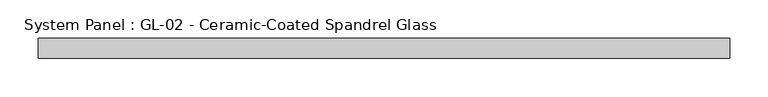
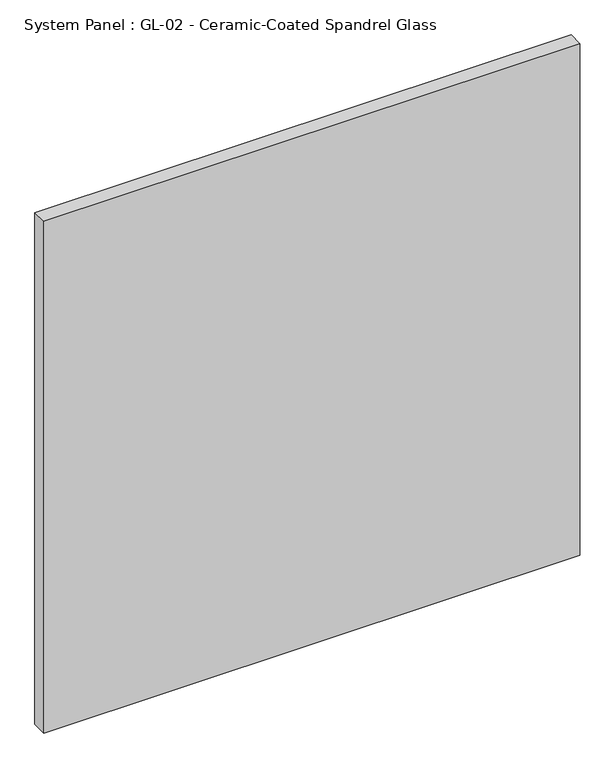
"""IFC4 building model written with IfcOpenShell, lengths in millimetres: plate geometry, System Panel : GL-02 - Ceramic-Coated Spandrel Glass."""

import ifcopenshell
import ifcopenshell.guid

model = None  # the IFC model being written
_history = None  # IfcOwnerHistory: only IFC2X3 demands one
_inside = {}  # id of a spatial element -> (the spatial element, [elements in it])
_under = {}  # id of a project, library or spatial element -> (it, [spatial elements below it])
_declared = {}  # id of a project -> (the project, [libraries it declares])
_typed = {}  # id of a type object -> (the type object, [elements of that type])
_made_of = {}  # id of a material, layer set ... -> (it, [elements and type objects made of it])


def new_model(schema):
    """Start an empty IFC model of exactly this schema.

    Asked for "IFC4X3", IfcOpenShell would pick the latest addendum, in which some entities
    have other attributes; the version numbers below select the first issue.
    IFC2X3 requires an IfcOwnerHistory on every rooted entity: one is made here for all.
    """
    global model, _history
    if schema == "IFC4X3":
        model = ifcopenshell.file(schema_version=(4, 3, 0, 0))
    else:
        model = ifcopenshell.file(schema=schema)
    _inside.clear()
    _under.clear()
    _declared.clear()
    _typed.clear()
    _made_of.clear()
    _history = None
    if model.schema == "IFC2X3":
        org = make("IfcOrganization", Name="unknown")
        user = make(
            "IfcPersonAndOrganization",
            ThePerson=make("IfcPerson", FamilyName="unknown"),
            TheOrganization=org,
        )
        app = make(
            "IfcApplication",
            ApplicationDeveloper=org,
            Version="unknown",
            ApplicationFullName="unknown",
            ApplicationIdentifier="unknown",
        )
        _history = make(
            "IfcOwnerHistory",
            OwningUser=user,
            OwningApplication=app,
            ChangeAction="ADDED",
            CreationDate=0,
        )
    return model


def make(cls, **values):
    """One entity of the class cls with the attributes given. An attribute that is None is left unset."""
    return model.create_entity(
        cls, **{name: value for name, value in values.items() if value is not None}
    )


def rooted(cls, **values):
    """An entity with a GlobalId (a new one), such as an element, a storey or a relation."""
    return make(cls, GlobalId=ifcopenshell.guid.new(), OwnerHistory=_history, **values)


def si_unit(unit_type, name, prefix=None):
    """IfcSIUnit, for example si_unit("LENGTHUNIT", "METRE", prefix="MILLI")."""
    return make("IfcSIUnit", UnitType=unit_type, Prefix=prefix, Name=name)


def assignment(units):
    """IfcUnitAssignment: the units of a project."""
    return None if units is None else make("IfcUnitAssignment", Units=units)


def point(xyz):
    """IfcCartesianPoint."""
    return None if xyz is None else make("IfcCartesianPoint", Coordinates=xyz)


def direction(xyz):
    """IfcDirection."""
    return None if xyz is None else make("IfcDirection", DirectionRatios=xyz)


def frame(location, z_axis=None, x_axis=None):
    """IfcAxis2Placement3D, a coordinate frame: its origin and axes. An axis left out is left unset."""
    return make(
        "IfcAxis2Placement3D",
        Location=point(location),
        Axis=direction(z_axis),
        RefDirection=direction(x_axis),
    )


def origin():
    """The frame at (0, 0, 0) with its axes left unset."""
    return frame((0.0, 0.0, 0.0))


def origin_with_axes():
    """The frame at (0, 0, 0) with the z axis (0, 0, 1) and the x axis (1, 0, 0) written out."""
    return frame((0.0, 0.0, 0.0), z_axis=(0.0, 0.0, 1.0), x_axis=(1.0, 0.0, 0.0))


def place(relative_to, where):
    """IfcLocalPlacement: puts the frame where relative to a parent placement (None: the world)."""
    return make(
        "IfcLocalPlacement", PlacementRelTo=relative_to, RelativePlacement=where
    )


def context(
    kind, dimensions, precision=None, world=None, true_north=None, identifier=None
):
    """IfcGeometricRepresentationContext, for example the 3D "Model" context."""
    return make(
        "IfcGeometricRepresentationContext",
        ContextIdentifier=identifier,
        ContextType=kind,
        CoordinateSpaceDimension=dimensions,
        Precision=precision,
        WorldCoordinateSystem=world,
        TrueNorth=true_north,
    )


def project(units=None, contexts=None):
    """IfcProject with its units and contexts."""
    return rooted(
        "IfcProject",
        Name="project",
        RepresentationContexts=contexts,
        UnitsInContext=assignment(units),
    )


def spatial(cls, under=None, at=None, **own):
    """A site, building, storey or space (cls), placed at a placement, below another one or the project."""
    s = rooted(cls, ObjectPlacement=at, **own)
    if under is not None:
        _under.setdefault(under.id(), (under, []))[1].append(s)
    return s


def polyline(points):
    """IfcPolyline through the points."""
    return make("IfcPolyline", Points=[point(p) for p in points])


def outline(outer, holes=None, kind="AREA"):
    """IfcArbitraryClosedProfileDef: a profile drawn as a closed curve; with holes, ...WithVoids."""
    if holes is None:
        return make("IfcArbitraryClosedProfileDef", ProfileType=kind, OuterCurve=outer)
    return make(
        "IfcArbitraryProfileDefWithVoids",
        ProfileType=kind,
        OuterCurve=outer,
        InnerCurves=holes,
    )


def extrude(swept, where, along, depth):
    """IfcExtrudedAreaSolid: the profile swept, set in the frame where, extruded along a direction by depth."""
    return make(
        "IfcExtrudedAreaSolid",
        SweptArea=swept,
        Position=where,
        ExtrudedDirection=direction(along),
        Depth=depth,
    )


def shape(context_of_items, identifier, shape_type, items):
    """IfcShapeRepresentation: the items that make up one representation, for example the "Body"."""
    return make(
        "IfcShapeRepresentation",
        ContextOfItems=context_of_items,
        RepresentationIdentifier=identifier,
        RepresentationType=shape_type,
        Items=items,
    )


def source(mapping_origin, context_of_items, identifier, shape_type, items):
    """IfcRepresentationMap: a shape defined once, which mapped items show again and again."""
    return make(
        "IfcRepresentationMap",
        MappingOrigin=mapping_origin,
        MappedRepresentation=shape(context_of_items, identifier, shape_type, items),
    )


def transform(
    local_origin,
    x_axis=None,
    y_axis=None,
    z_axis=None,
    scale=None,
    scale2=None,
    scale3=None,
    uniform=True,
):
    """IfcCartesianTransformationOperator3D, or its non-uniform kind. x_axis, y_axis, z_axis: its Axis1, 2, 3."""
    if uniform:
        return make(
            "IfcCartesianTransformationOperator3D",
            Axis1=direction(x_axis),
            Axis2=direction(y_axis),
            LocalOrigin=point(local_origin),
            Scale=scale,
            Axis3=direction(z_axis),
        )
    return make(
        "IfcCartesianTransformationOperator3DnonUniform",
        Axis1=direction(x_axis),
        Axis2=direction(y_axis),
        LocalOrigin=point(local_origin),
        Scale=scale,
        Axis3=direction(z_axis),
        Scale2=scale2,
        Scale3=scale3,
    )


def mapped(mapping_source, mapping_target):
    """IfcMappedItem: shows the shape of a source again, moved by a transform."""
    return make(
        "IfcMappedItem", MappingSource=mapping_source, MappingTarget=mapping_target
    )


def made_of(thing, what):
    """Note that an element or type object is made of a material, layer set ...; save() writes the relation."""
    if what is not None:
        _made_of.setdefault(what.id(), (what, []))[1].append(thing)
    return thing


def element(
    cls,
    number,
    at=None,
    inside=None,
    cuts=None,
    type_object=None,
    material=None,
    context=None,
    identifier="Body",
    shape_type=None,
    held_by="IfcProductDefinitionShape",
    body=None,
    shapes=None,
    **own,
):
    """One element of the class cls, such as IfcWall. Its Tag is "e" and its number.

    at: its placement. inside: the storey or other place that contains it. cuts: it is an
    opening in that element (IfcRelVoidsElement). A single representation is given by context,
    identifier, shape_type and body (its items); several are given by shapes. held_by: the class
    of the entity that holds the representations. save() writes the other relations.
    """
    e = rooted(cls, Tag="e%d" % number, ObjectPlacement=at, **own)
    if body is not None:
        shapes = [shape(context, identifier, shape_type, body)]
    if shapes is not None:
        e.Representation = make(held_by, Representations=shapes)
    if inside is not None:
        _inside.setdefault(inside.id(), (inside, []))[1].append(e)
    if cuts is not None:
        rooted(
            "IfcRelVoidsElement", RelatingBuildingElement=cuts, RelatedOpeningElement=e
        )
    if type_object is not None:
        _typed.setdefault(type_object.id(), (type_object, []))[1].append(e)
    return made_of(e, material)


def aggregate(whole, parts):
    """IfcRelAggregates: a whole, such as a stair, and the parts it consists of."""
    return rooted("IfcRelAggregates", RelatingObject=whole, RelatedObjects=parts)


def save(model, path):
    """Write the relations noted so far, then the file.

    IfcRelAggregates (storeys below a building ...), IfcRelContainedInSpatialStructure (elements
    in a storey), IfcRelDefinesByType, IfcRelAssociatesMaterial and IfcRelDeclares: one each for
    every whole, place, type object, material and project.
    """
    for whole, parts in _under.values():
        aggregate(whole, parts)
    for where, things in _inside.values():
        rooted(
            "IfcRelContainedInSpatialStructure",
            RelatedElements=things,
            RelatingStructure=where,
        )
    for kind, things in _typed.values():
        rooted("IfcRelDefinesByType", RelatedObjects=things, RelatingType=kind)
    for what, things in _made_of.values():
        rooted("IfcRelAssociatesMaterial", RelatedObjects=things, RelatingMaterial=what)
    for by, libraries in _declared.values():
        rooted("IfcRelDeclares", RelatingContext=by, RelatedDefinitions=libraries)
    model.write(path)


def system_panel_gl_02_ceramic_coated_spandrel_glass_933e831c(model_context):
    return source(origin(), model_context, "Body", "SweptSolid", [
        extrude(outline(polyline([(448.7333333, 19.05), (-448.7333333, 19.05), (-448.7333333, 44.45), (448.7333333, 44.45), (448.7333333, 19.05)])), origin_with_axes(), (0.0, 0.0, 1.0), 905.6076923),
    ])


if __name__ == "__main__":
    model = new_model("IFC4")
    model_context = context("Model", 3, world=origin())
    ifc_project = project(units=[si_unit("LENGTHUNIT", "METRE", prefix="MILLI")], contexts=[model_context])
    site = spatial("IfcSite", under=ifc_project)
    building = spatial("IfcBuilding", under=site)
    placement = place(None, origin())
    system_panel_gl_02_ceramic_coated_spandrel_glass_shape = system_panel_gl_02_ceramic_coated_spandrel_glass_933e831c(model_context)
    element("IfcPlate", 1, ObjectType="System Panel : GL-02 - Ceramic-Coated Spandrel Glass", at=placement, inside=building, context=model_context, shape_type="MappedRepresentation", body=[
        mapped(system_panel_gl_02_ceramic_coated_spandrel_glass_shape, transform((0.0, 0.0, 0.0), x_axis=(1.0, 0.0, 0.0), y_axis=(0.0, 1.0, 0.0), z_axis=(0.0, 0.0, 1.0))),
    ])
    save(model, "model.ifc")
